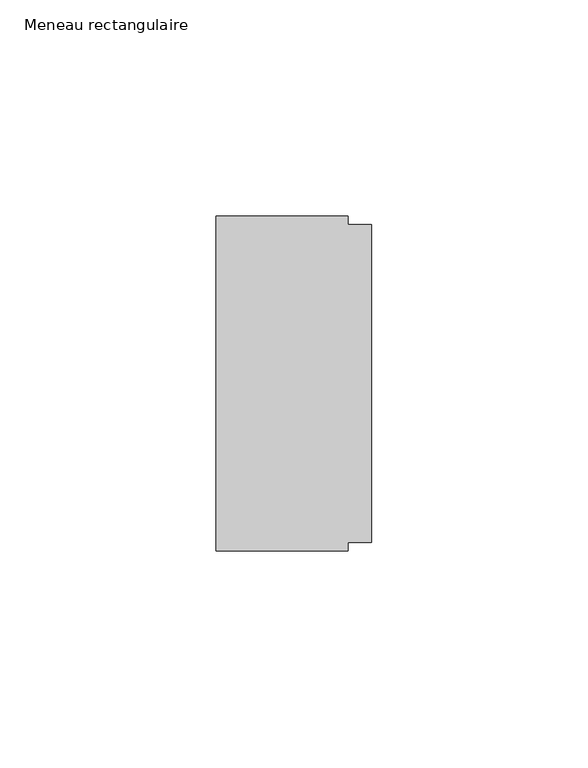
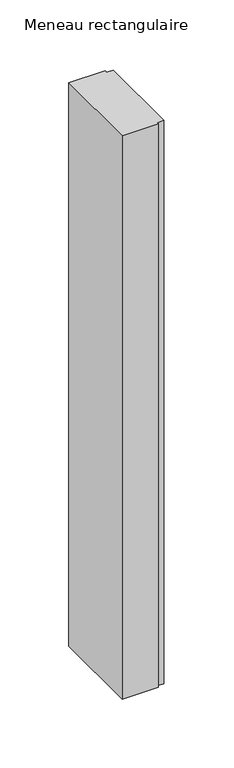
"""IFC4 building model written with IfcOpenShell, lengths in millimetres: member geometry, Meneau rectangulaire."""

from ifc_helpers import new_model, si_unit, frame, origin, place, context, project, spatial, polyline, outline, extrude, source, transform, mapped, element, save


def meneau_rectangulaire_c803072b(model_context):
    return source(origin(), model_context, "Body", "SweptSolid", [
        extrude(outline(polyline([(0.0, 36.75), (0.0, -36.75), (-5.5, -36.75), (-5.5, -38.75), (-36.0, -38.75), (-36.0, 38.75), (-5.5, 38.75), (-5.5, 36.75), (0.0, 36.75)])), frame((0.0, 0.0, -500.0), z_axis=(0.0, 0.0, 1.0), x_axis=(1.0, 0.0, 0.0)), (0.0, 0.0, 1.0), 500.0),
    ])


if __name__ == "__main__":
    model = new_model("IFC4")
    model_context = context("Model", 3, world=origin())
    ifc_project = project(units=[si_unit("LENGTHUNIT", "METRE", prefix="MILLI")], contexts=[model_context])
    site = spatial("IfcSite", under=ifc_project)
    building = spatial("IfcBuilding", under=site)
    placement = place(None, origin())
    meneau_rectangulaire_shape = meneau_rectangulaire_c803072b(model_context)
    element("IfcMember", 1, ObjectType="Meneau rectangulaire", at=placement, inside=building, context=model_context, shape_type="MappedRepresentation", body=[
        mapped(meneau_rectangulaire_shape, transform((0.0, 0.0, 0.0), x_axis=(1.0, 0.0, 0.0), y_axis=(0.0, 1.0, 0.0), z_axis=(0.0, 0.0, 1.0))),
    ])
    save(model, "model.ifc")
